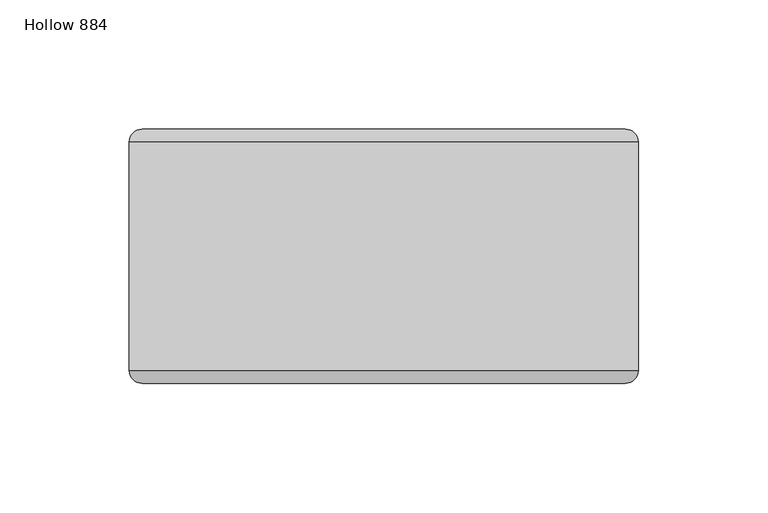
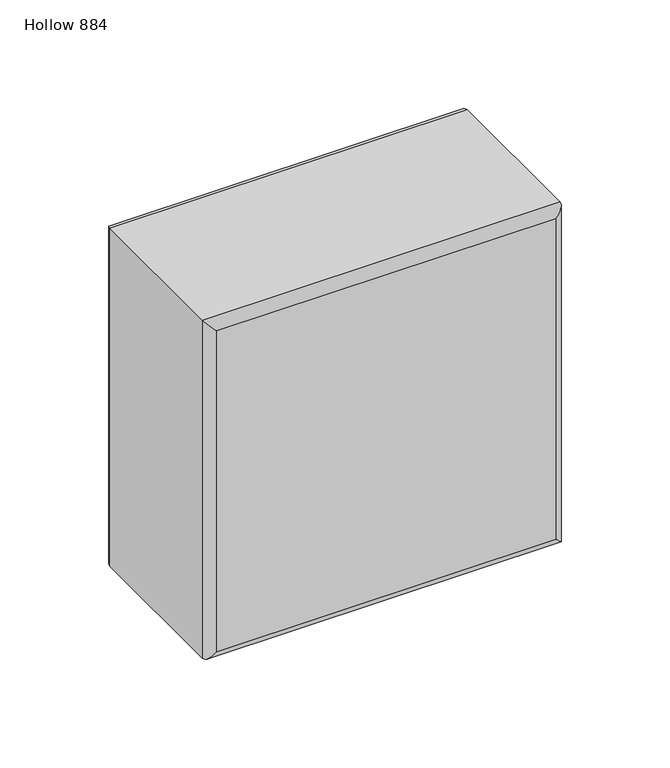
"""IFC4 building model written with IfcOpenShell, lengths in millimetres: plate geometry, Hollow 884."""

import ifcopenshell
import ifcopenshell.guid

model = None  # the IFC model being written
_history = None  # IfcOwnerHistory: only IFC2X3 demands one
_inside = {}  # id of a spatial element -> (the spatial element, [elements in it])
_under = {}  # id of a project, library or spatial element -> (it, [spatial elements below it])
_declared = {}  # id of a project -> (the project, [libraries it declares])
_typed = {}  # id of a type object -> (the type object, [elements of that type])
_made_of = {}  # id of a material, layer set ... -> (it, [elements and type objects made of it])


def new_model(schema):
    """Start an empty IFC model of exactly this schema.

    Asked for "IFC4X3", IfcOpenShell would pick the latest addendum, in which some entities
    have other attributes; the version numbers below select the first issue.
    IFC2X3 requires an IfcOwnerHistory on every rooted entity: one is made here for all.
    """
    global model, _history
    if schema == "IFC4X3":
        model = ifcopenshell.file(schema_version=(4, 3, 0, 0))
    else:
        model = ifcopenshell.file(schema=schema)
    _inside.clear()
    _under.clear()
    _declared.clear()
    _typed.clear()
    _made_of.clear()
    _history = None
    if model.schema == "IFC2X3":
        org = make("IfcOrganization", Name="unknown")
        user = make(
            "IfcPersonAndOrganization",
            ThePerson=make("IfcPerson", FamilyName="unknown"),
            TheOrganization=org,
        )
        app = make(
            "IfcApplication",
            ApplicationDeveloper=org,
            Version="unknown",
            ApplicationFullName="unknown",
            ApplicationIdentifier="unknown",
        )
        _history = make(
            "IfcOwnerHistory",
            OwningUser=user,
            OwningApplication=app,
            ChangeAction="ADDED",
            CreationDate=0,
        )
    return model


def make(cls, **values):
    """One entity of the class cls with the attributes given. An attribute that is None is left unset."""
    return model.create_entity(
        cls, **{name: value for name, value in values.items() if value is not None}
    )


def rooted(cls, **values):
    """An entity with a GlobalId (a new one), such as an element, a storey or a relation."""
    return make(cls, GlobalId=ifcopenshell.guid.new(), OwnerHistory=_history, **values)


def si_unit(unit_type, name, prefix=None):
    """IfcSIUnit, for example si_unit("LENGTHUNIT", "METRE", prefix="MILLI")."""
    return make("IfcSIUnit", UnitType=unit_type, Prefix=prefix, Name=name)


def assignment(units):
    """IfcUnitAssignment: the units of a project."""
    return None if units is None else make("IfcUnitAssignment", Units=units)


def point(xyz):
    """IfcCartesianPoint."""
    return None if xyz is None else make("IfcCartesianPoint", Coordinates=xyz)


def direction(xyz):
    """IfcDirection."""
    return None if xyz is None else make("IfcDirection", DirectionRatios=xyz)


def frame(location, z_axis=None, x_axis=None):
    """IfcAxis2Placement3D, a coordinate frame: its origin and axes. An axis left out is left unset."""
    return make(
        "IfcAxis2Placement3D",
        Location=point(location),
        Axis=direction(z_axis),
        RefDirection=direction(x_axis),
    )


def origin():
    """The frame at (0, 0, 0) with its axes left unset."""
    return frame((0.0, 0.0, 0.0))


def place(relative_to, where):
    """IfcLocalPlacement: puts the frame where relative to a parent placement (None: the world)."""
    return make(
        "IfcLocalPlacement", PlacementRelTo=relative_to, RelativePlacement=where
    )


def context(
    kind, dimensions, precision=None, world=None, true_north=None, identifier=None
):
    """IfcGeometricRepresentationContext, for example the 3D "Model" context."""
    return make(
        "IfcGeometricRepresentationContext",
        ContextIdentifier=identifier,
        ContextType=kind,
        CoordinateSpaceDimension=dimensions,
        Precision=precision,
        WorldCoordinateSystem=world,
        TrueNorth=true_north,
    )


def project(units=None, contexts=None):
    """IfcProject with its units and contexts."""
    return rooted(
        "IfcProject",
        Name="project",
        RepresentationContexts=contexts,
        UnitsInContext=assignment(units),
    )


def spatial(cls, under=None, at=None, **own):
    """A site, building, storey or space (cls), placed at a placement, below another one or the project."""
    s = rooted(cls, ObjectPlacement=at, **own)
    if under is not None:
        _under.setdefault(under.id(), (under, []))[1].append(s)
    return s


def ellipse_curve(where, semi_axis1, semi_axis2):
    """IfcEllipse in the frame where."""
    return make(
        "IfcEllipse", Position=where, SemiAxis1=semi_axis1, SemiAxis2=semi_axis2
    )


def shape(context_of_items, identifier, shape_type, items):
    """IfcShapeRepresentation: the items that make up one representation, for example the "Body"."""
    return make(
        "IfcShapeRepresentation",
        ContextOfItems=context_of_items,
        RepresentationIdentifier=identifier,
        RepresentationType=shape_type,
        Items=items,
    )


def source(mapping_origin, context_of_items, identifier, shape_type, items):
    """IfcRepresentationMap: a shape defined once, which mapped items show again and again."""
    return make(
        "IfcRepresentationMap",
        MappingOrigin=mapping_origin,
        MappedRepresentation=shape(context_of_items, identifier, shape_type, items),
    )


def transform(
    local_origin,
    x_axis=None,
    y_axis=None,
    z_axis=None,
    scale=None,
    scale2=None,
    scale3=None,
    uniform=True,
):
    """IfcCartesianTransformationOperator3D, or its non-uniform kind. x_axis, y_axis, z_axis: its Axis1, 2, 3."""
    if uniform:
        return make(
            "IfcCartesianTransformationOperator3D",
            Axis1=direction(x_axis),
            Axis2=direction(y_axis),
            LocalOrigin=point(local_origin),
            Scale=scale,
            Axis3=direction(z_axis),
        )
    return make(
        "IfcCartesianTransformationOperator3DnonUniform",
        Axis1=direction(x_axis),
        Axis2=direction(y_axis),
        LocalOrigin=point(local_origin),
        Scale=scale,
        Axis3=direction(z_axis),
        Scale2=scale2,
        Scale3=scale3,
    )


def mapped(mapping_source, mapping_target):
    """IfcMappedItem: shows the shape of a source again, moved by a transform."""
    return make(
        "IfcMappedItem", MappingSource=mapping_source, MappingTarget=mapping_target
    )


def made_of(thing, what):
    """Note that an element or type object is made of a material, layer set ...; save() writes the relation."""
    if what is not None:
        _made_of.setdefault(what.id(), (what, []))[1].append(thing)
    return thing


def element(
    cls,
    number,
    at=None,
    inside=None,
    cuts=None,
    type_object=None,
    material=None,
    context=None,
    identifier="Body",
    shape_type=None,
    held_by="IfcProductDefinitionShape",
    body=None,
    shapes=None,
    **own,
):
    """One element of the class cls, such as IfcWall. Its Tag is "e" and its number.

    at: its placement. inside: the storey or other place that contains it. cuts: it is an
    opening in that element (IfcRelVoidsElement). A single representation is given by context,
    identifier, shape_type and body (its items); several are given by shapes. held_by: the class
    of the entity that holds the representations. save() writes the other relations.
    """
    e = rooted(cls, Tag="e%d" % number, ObjectPlacement=at, **own)
    if body is not None:
        shapes = [shape(context, identifier, shape_type, body)]
    if shapes is not None:
        e.Representation = make(held_by, Representations=shapes)
    if inside is not None:
        _inside.setdefault(inside.id(), (inside, []))[1].append(e)
    if cuts is not None:
        rooted(
            "IfcRelVoidsElement", RelatingBuildingElement=cuts, RelatedOpeningElement=e
        )
    if type_object is not None:
        _typed.setdefault(type_object.id(), (type_object, []))[1].append(e)
    return made_of(e, material)


def aggregate(whole, parts):
    """IfcRelAggregates: a whole, such as a stair, and the parts it consists of."""
    return rooted("IfcRelAggregates", RelatingObject=whole, RelatedObjects=parts)


def save(model, path):
    """Write the relations noted so far, then the file.

    IfcRelAggregates (storeys below a building ...), IfcRelContainedInSpatialStructure (elements
    in a storey), IfcRelDefinesByType, IfcRelAssociatesMaterial and IfcRelDeclares: one each for
    every whole, place, type object, material and project.
    """
    for whole, parts in _under.values():
        aggregate(whole, parts)
    for where, things in _inside.values():
        rooted(
            "IfcRelContainedInSpatialStructure",
            RelatedElements=things,
            RelatingStructure=where,
        )
    for kind, things in _typed.values():
        rooted("IfcRelDefinesByType", RelatedObjects=things, RelatingType=kind)
    for what, things in _made_of.values():
        rooted("IfcRelAssociatesMaterial", RelatedObjects=things, RelatingMaterial=what)
    for by, libraries in _declared.values():
        rooted("IfcRelDeclares", RelatingContext=by, RelatedDefinitions=libraries)
    model.write(path)


def plane_surface(at):
    """IfcPlane: the flat surface through the origin of the frame at, square to its z axis."""
    return make("IfcPlane", Position=at)


def cylinder_surface(at, radius):
    """IfcCylindricalSurface: all points at the distance radius from the z axis of the frame at."""
    return make("IfcCylindricalSurface", Position=at, Radius=radius)


def advanced_brep(points, edges, surfaces, faces):
    """IfcAdvancedBrep: a solid bounded by faces that lie on surfaces and meet in shared edges.

    An edge is (start, end): straight between two places in points (the first is 0);
    or (start, end, curve); or (start, end, curve, False) where it runs against its curve.
    A face is (place in surfaces, loops), or (place, loops, False) where it looks against
    its surface's normal. A loop lists edges by number (the first is 1), with a minus sign
    where the edge is run from its end to its start. The first loop is the outer one.
    """
    corners = [point(p) for p in points]
    vertices = [make("IfcVertexPoint", VertexGeometry=c) for c in corners]
    made = []
    for start, end, *more in edges:
        made.append(
            make(
                "IfcEdgeCurve",
                EdgeStart=vertices[start],
                EdgeEnd=vertices[end],
                EdgeGeometry=more[0] if more else make("IfcPolyline", Points=[corners[start], corners[end]]),
                SameSense=more[1] if len(more) > 1 else True,
            )
        )
    hull = []
    for where, loops, *sense in faces:
        bounds = []
        for j, loop in enumerate(loops):
            ring = [make("IfcOrientedEdge", EdgeElement=made[abs(k) - 1], Orientation=k > 0) for k in loop]
            bounds.append(
                make(
                    "IfcFaceOuterBound" if j == 0 else "IfcFaceBound",
                    Bound=make("IfcEdgeLoop", EdgeList=ring),
                    Orientation=True,
                )
            )
        hull.append(make("IfcAdvancedFace", Bounds=bounds, FaceSurface=surfaces[where], SameSense=sense[0] if sense else True))
    return make("IfcAdvancedBrep", Outer=make("IfcClosedShell", CfsFaces=hull))


def hollow_884_9c0eaabf(model_context):
    return source(origin(), model_context, "Body", "AdvancedBrep", [
        advanced_brep(
        [(-98.4250002, -44.2, 197.0), (98.5749998, -44.2, 197.0), (98.5749998, 44.2, 197.0), (-98.4250002, 44.2, 197.0), (98.5749998, -44.2, 0.0), (-98.4250002, -44.2, 0.0), (-98.4250002, 44.2, 0.0), (98.5749998, 44.2, 0.0), (-93.4250002, -49.2, 5.0), (93.5749998, -49.2, 5.0), (93.5749998, -49.2, 192.0), (-93.4250002, -49.2, 192.0), (93.5749998, 49.2, 5.0), (-93.4250002, 49.2, 5.0), (-93.4250002, 49.2, 192.0), (93.5749998, 49.2, 192.0)],
        [
            (0, 1),
            (1, 2),
            (2, 3),
            (3, 0),
            (4, 5),
            (5, 6),
            (6, 7),
            (7, 4),
            (8, 9),
            (9, 10),
            (10, 11),
            (11, 8),
            (1, 4),
            (7, 2),
            (12, 13),
            (13, 14),
            (14, 15),
            (15, 12),
            (5, 0),
            (3, 6),
            (4, 9, ellipse_curve(frame((93.5749998, -44.2, 5.0), z_axis=(-0.7071067811865475, 0.0, -0.7071067811865475), x_axis=(0.7071067811865476, 0.0, -0.7071067811865474)), 7.0710678, 5.0)),
            (8, 5, ellipse_curve(frame((-93.4250002, -44.2, 5.0), z_axis=(0.7071067811865475, 0.0, -0.7071067811865475), x_axis=(0.7071067811865476, 0.0, 0.7071067811865474)), 7.0710678, 5.0)),
            (1, 10, ellipse_curve(frame((93.5749998, -44.2, 192.0), z_axis=(0.7071067811865475, 0.0, -0.7071067811865475), x_axis=(0.7071067811865474, 0.0, 0.7071067811865476)), 7.0710678, 5.0)),
            (0, 11, ellipse_curve(frame((-93.4250002, -44.2, 192.0), z_axis=(0.7071067811865475, 0.0, 0.7071067811865475), x_axis=(-0.7071067811865476, 0.0, 0.7071067811865474)), 7.0710678, 5.0)),
            (12, 7, ellipse_curve(frame((93.5749998, 44.2, 5.0), z_axis=(-0.7071067811865475, 0.0, -0.7071067811865475), x_axis=(0.7071067811865476, 0.0, -0.7071067811865474)), 7.0710678, 5.0)),
            (6, 13, ellipse_curve(frame((-93.4250002, 44.2, 5.0), z_axis=(0.7071067811865475, 0.0, -0.7071067811865475), x_axis=(0.7071067811865476, 0.0, 0.7071067811865474)), 7.0710678, 5.0)),
            (15, 2, ellipse_curve(frame((93.5749998, 44.2, 192.0), z_axis=(0.7071067811865475, 0.0, -0.7071067811865475), x_axis=(0.7071067811865474, 0.0, 0.7071067811865476)), 7.0710678, 5.0)),
            (14, 3, ellipse_curve(frame((-93.4250002, 44.2, 192.0), z_axis=(0.7071067811865475, 0.0, 0.7071067811865475), x_axis=(-0.7071067811865476, 0.0, 0.7071067811865474)), 7.0710678, 5.0)),
        ],
        [
            plane_surface(frame((-98.4250002, -49.2, 197.0), z_axis=(0.0, 0.0, 1.0), x_axis=(1.0, 0.0, 0.0))),
            plane_surface(frame((-98.4250002, -49.2, 0.0), z_axis=(0.0, 0.0, -1.0), x_axis=(-1.0, 0.0, 0.0))),
            plane_surface(frame((-98.4250002, -49.2, 197.0), z_axis=(0.0, -1.0, 0.0), x_axis=(0.0, 0.0, -1.0))),
            plane_surface(frame((98.5749998, -49.2, 197.0), z_axis=(1.0, 0.0, 0.0), x_axis=(0.0, 0.0, -1.0))),
            plane_surface(frame((98.5749998, 49.2, 197.0), z_axis=(0.0, 1.0, 0.0), x_axis=(0.0, 0.0, -1.0))),
            plane_surface(frame((-98.4250002, 49.2, 197.0), z_axis=(-1.0, 0.0, 0.0), x_axis=(0.0, 0.0, -1.0))),
            cylinder_surface(frame((-98.4250002, -44.2, 5.0), z_axis=(1.0, 0.0, 0.0), x_axis=(0.0, 0.0, -1.0)), 5.0),
            cylinder_surface(frame((93.5749998, -44.2, 0.0), z_axis=(0.0, 0.0, 1.0), x_axis=(1.0, 0.0, 0.0)), 5.0),
            cylinder_surface(frame((98.5749998, -44.2, 192.0), z_axis=(-1.0, 0.0, 0.0), x_axis=(0.0, 0.0, 1.0)), 5.0),
            cylinder_surface(frame((-93.4250002, -44.2, 197.0), z_axis=(0.0, 0.0, -1.0), x_axis=(-1.0, 0.0, 0.0)), 5.0),
            cylinder_surface(frame((-98.4250002, 44.2, 5.0), z_axis=(1.0, 0.0, 0.0), x_axis=(0.0, 0.0, -1.0)), 5.0),
            cylinder_surface(frame((93.5749998, 44.2, 0.0), z_axis=(0.0, 0.0, 1.0), x_axis=(1.0, 0.0, 0.0)), 5.0),
            cylinder_surface(frame((98.5749998, 44.2, 192.0), z_axis=(-1.0, 0.0, 0.0), x_axis=(0.0, 0.0, 1.0)), 5.0),
            cylinder_surface(frame((-93.4250002, 44.2, 197.0), z_axis=(0.0, 0.0, -1.0), x_axis=(-1.0, 0.0, 0.0)), 5.0),
        ],
        [
            (0, [[1, 2, 3, 4]]),
            (1, [[5, 6, 7, 8]]),
            (2, [[9, 10, 11, 12]]),
            (3, [[13, -8, 14, -2]]),
            (4, [[15, 16, 17, 18]]),
            (5, [[19, -4, 20, -6]]),
            (6, [[21, -9, 22, -5]]),
            (7, [[-21, -13, 23, -10]]),
            (8, [[-23, -1, 24, -11]]),
            (9, [[-22, -12, -24, -19]]),
            (10, [[25, -7, 26, -15]]),
            (11, [[-25, -18, 27, -14]]),
            (12, [[-27, -17, 28, -3]]),
            (13, [[-26, -20, -28, -16]]),
        ],
    ),
    ])


if __name__ == "__main__":
    model = new_model("IFC4")
    model_context = context("Model", 3, world=origin())
    ifc_project = project(units=[si_unit("LENGTHUNIT", "METRE", prefix="MILLI")], contexts=[model_context])
    site = spatial("IfcSite", under=ifc_project)
    building = spatial("IfcBuilding", under=site)
    placement = place(None, origin())
    hollow_884_shape = hollow_884_9c0eaabf(model_context)
    element("IfcPlate", 1, ObjectType="Hollow 884", at=placement, inside=building, context=model_context, shape_type="MappedRepresentation", body=[
        mapped(hollow_884_shape, transform((0.0, 0.0, 0.0), x_axis=(1.0, 0.0, 0.0), y_axis=(0.0, 1.0, 0.0), z_axis=(0.0, 0.0, 1.0))),
    ])
    save(model, "model.ifc")
